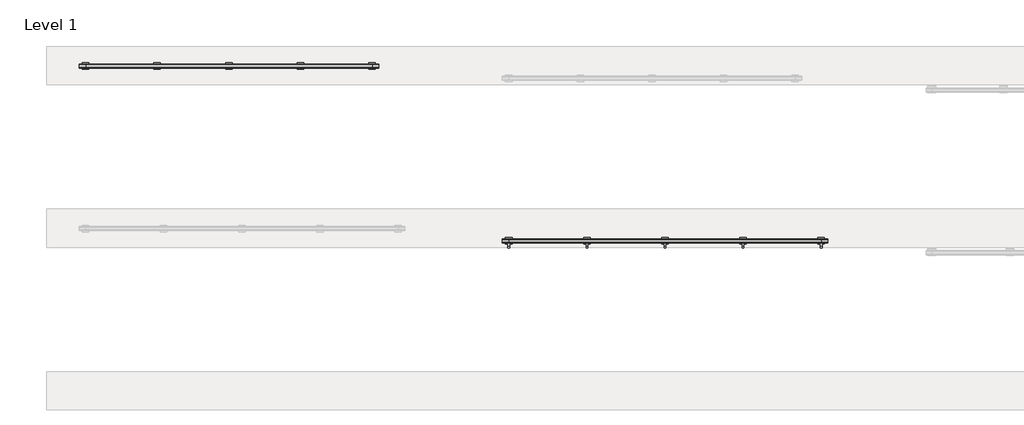
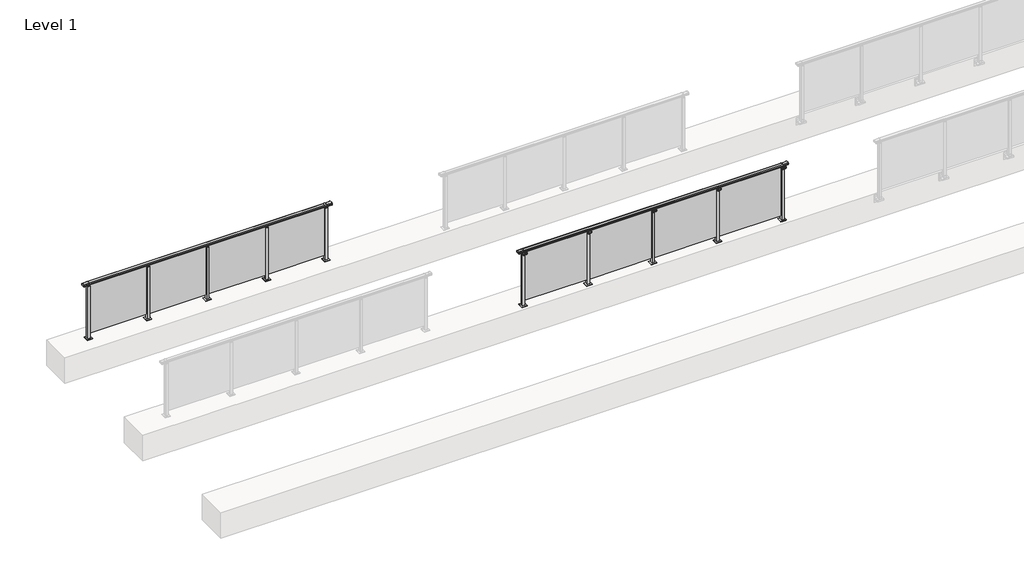
# One storey, part 54 of 64: 2 railings.
"""IFC4 building model written with IfcOpenShell, lengths in millimetres."""

from ifc_helpers import new_model, si_unit, point, frame, frame_2d, origin, origin_with_axes, place, context, project, spatial, polyline, circle_curve, trimmed, segment, composite_curve, outline, extrude, element, save
from ifc_brep_helpers import plane_surface, cylinder_surface, revolved_surface, advanced_brep

model = new_model("IFC4")

# Units and contexts
model_context = context("Model", 3, world=origin())
ifc_project = project(units=[si_unit("LENGTHUNIT", "METRE", prefix="MILLI")], contexts=[model_context])

# Site, building, storey
site = spatial("IfcSite", under=ifc_project)
building = spatial("IfcBuilding", under=site)
storey = spatial("IfcBuildingStorey", under=building, Name="Level 1", Elevation=0.0)

# Railings
placement = place(None, origin())
element("IfcRailing", 1, at=placement, inside=storey, context=model_context, shape_type="SolidModel", body=[
    advanced_brep(
    [(36400.0, 32525.3633756, 1095.6691182), (36400.0, 32530.1846828, 1081.1334092), (36400.0, 32529.2413744, 1069.2539035), (36400.0, 32531.1364177, 1061.4863007), (36400.0, 32529.4894799, 1060.384124), (36400.0, 32529.4894799, 1062.0), (36400.0, 32470.8798858, 1062.0), (36400.0, 32470.8798858, 1060.384124), (36400.0, 32469.232948, 1061.4863007), (36400.0, 32471.1279912, 1069.2539035), (36400.0, 32470.1846828, 1081.1334092), (36400.0, 32475.00599, 1095.6691182), (41400.0, 32525.3633756, 1095.6691182), (41400.0, 32475.00599, 1095.6691182), (41400.0, 32470.1846828, 1081.1334092), (41400.0, 32471.1279912, 1069.2539035), (41400.0, 32469.232948, 1061.4863007), (41400.0, 32470.8798858, 1060.384124), (41400.0, 32470.8798858, 1062.0), (41400.0, 32529.4894799, 1062.0), (41400.0, 32529.4894799, 1060.384124), (41400.0, 32531.1364177, 1061.4863007), (41400.0, 32529.2413744, 1069.2539035), (41400.0, 32530.1846828, 1081.1334092), (36500.0, 32525.3633756, 1095.6691182), (36500.0, 32530.1846828, 1081.1334092), (36500.0, 32529.2413744, 1069.2539035), (36500.0, 32531.1364177, 1061.4863007), (36500.0, 32529.4894799, 1060.384124), (36500.0, 32529.4894799, 1062.0), (36500.0, 32470.8798858, 1062.0), (36500.0, 32470.8798858, 1060.384124), (36500.0, 32469.232948, 1061.4863007), (36500.0, 32471.1279912, 1069.2539035), (36500.0, 32470.1846828, 1081.1334092), (36500.0, 32475.00599, 1095.6691182), (41300.0, 32525.3633756, 1095.6691182), (41300.0, 32530.1846828, 1081.1334092), (41300.0, 32529.2413744, 1069.2539035), (41300.0, 32531.1364177, 1061.4863007), (41300.0, 32529.4894799, 1060.384124), (41300.0, 32529.4894799, 1062.0), (41300.0, 32470.8798858, 1062.0), (41300.0, 32470.8798858, 1060.384124), (41300.0, 32469.232948, 1061.4863007), (41300.0, 32471.1279912, 1069.2539035), (41300.0, 32470.1846828, 1081.1334092), (41300.0, 32475.00599, 1095.6691182)],
    [
        (0, 1, circle_curve(frame((36400.0, 32522.1223845, 1086.526686), z_axis=(-1.0, 0.0, 0.0), x_axis=(0.0, -1.0, 0.0)), 9.6999015)),
        (1, 2, circle_curve(frame((36400.0, 32547.7252545, 1073.7633709), z_axis=(1.0, 0.0, 0.0), x_axis=(0.0, -1.0, 0.0)), 19.0260117)),
        (2, 3),
        (3, 4, circle_curve(frame((36400.0, 32530.2772073, 1060.9886194), z_axis=(-1.0, 0.0, 0.0), x_axis=(0.0, -1.0, 0.0)), 0.9929396)),
        (4, 5),
        (5, 6),
        (6, 7),
        (7, 8, circle_curve(frame((36400.0, 32470.0921584, 1060.9886194), z_axis=(-1.0, 0.0, 0.0), x_axis=(0.0, 1.0, 0.0)), 0.9929396)),
        (8, 9),
        (9, 10, circle_curve(frame((36400.0, 32452.6441111, 1073.7633709), z_axis=(1.0, 0.0, 0.0), x_axis=(0.0, 1.0, 0.0)), 19.0260117)),
        (10, 11, circle_curve(frame((36400.0, 32478.2469812, 1086.526686), z_axis=(-1.0, 0.0, 0.0), x_axis=(0.0, 1.0, 0.0)), 9.6999015)),
        (11, 0, circle_curve(frame((36400.0, 32500.1846828, 1024.6431628), z_axis=(-1.0, 0.0, 0.0), x_axis=(0.0, 1.0, 0.0)), 75.3568372)),
        (12, 13, circle_curve(frame((41400.0, 32500.1846828, 1024.6431628), z_axis=(1.0, 0.0, 0.0), x_axis=(0.0, 1.0, 0.0)), 75.3568372)),
        (13, 14, circle_curve(frame((41400.0, 32478.2469812, 1086.526686), z_axis=(1.0, 0.0, 0.0), x_axis=(0.0, 1.0, 0.0)), 9.6999015)),
        (14, 15, circle_curve(frame((41400.0, 32452.6441111, 1073.7633709), z_axis=(-1.0, 0.0, 0.0), x_axis=(0.0, 1.0, 0.0)), 19.0260117)),
        (15, 16),
        (16, 17, circle_curve(frame((41400.0, 32470.0921584, 1060.9886194), z_axis=(1.0, 0.0, 0.0), x_axis=(0.0, 1.0, 0.0)), 0.9929396)),
        (17, 18),
        (18, 19),
        (19, 20),
        (20, 21, circle_curve(frame((41400.0, 32530.2772073, 1060.9886194), z_axis=(1.0, 0.0, 0.0), x_axis=(0.0, -1.0, 0.0)), 0.9929396)),
        (21, 22),
        (22, 23, circle_curve(frame((41400.0, 32547.7252545, 1073.7633709), z_axis=(-1.0, 0.0, 0.0), x_axis=(0.0, -1.0, 0.0)), 19.0260117)),
        (23, 12, circle_curve(frame((41400.0, 32522.1223845, 1086.526686), z_axis=(1.0, 0.0, 0.0), x_axis=(0.0, -1.0, 0.0)), 9.6999015)),
        (0, 24),
        (24, 25, circle_curve(frame((36500.0, 32522.1223845, 1086.526686), z_axis=(-1.0, 0.0, 0.0), x_axis=(0.0, -1.0, 0.0)), 9.6999015)),
        (25, 1),
        (25, 26, circle_curve(frame((36500.0, 32547.7252545, 1073.7633709), z_axis=(1.0, 0.0, 0.0), x_axis=(0.0, -1.0, 0.0)), 19.0260117)),
        (26, 2),
        (26, 27),
        (27, 3),
        (27, 28, circle_curve(frame((36500.0, 32530.2772073, 1060.9886194), z_axis=(-1.0, 0.0, 0.0), x_axis=(0.0, -1.0, 0.0)), 0.9929396)),
        (28, 4),
        (28, 29),
        (29, 5),
        (29, 30),
        (30, 6),
        (30, 31),
        (31, 7),
        (31, 32, circle_curve(frame((36500.0, 32470.0921584, 1060.9886194), z_axis=(-1.0, 0.0, 0.0), x_axis=(0.0, 1.0, 0.0)), 0.9929396)),
        (32, 8),
        (32, 33),
        (33, 9),
        (33, 34, circle_curve(frame((36500.0, 32452.6441111, 1073.7633709), z_axis=(1.0, 0.0, 0.0), x_axis=(0.0, 1.0, 0.0)), 19.0260117)),
        (34, 10),
        (34, 35, circle_curve(frame((36500.0, 32478.2469812, 1086.526686), z_axis=(-1.0, 0.0, 0.0), x_axis=(0.0, 1.0, 0.0)), 9.6999015)),
        (35, 11),
        (35, 24, circle_curve(frame((36500.0, 32500.1846828, 1024.6431628), z_axis=(-1.0, 0.0, 0.0), x_axis=(0.0, 1.0, 0.0)), 75.3568372)),
        (24, 36),
        (36, 37, circle_curve(frame((41300.0, 32522.1223845, 1086.526686), z_axis=(-1.0, 0.0, 0.0), x_axis=(0.0, -1.0, 0.0)), 9.6999015)),
        (37, 25),
        (37, 38, circle_curve(frame((41300.0, 32547.7252545, 1073.7633709), z_axis=(1.0, 0.0, 0.0), x_axis=(0.0, -1.0, 0.0)), 19.0260117)),
        (38, 26),
        (38, 39),
        (39, 27),
        (39, 40, circle_curve(frame((41300.0, 32530.2772073, 1060.9886194), z_axis=(-1.0, 0.0, 0.0), x_axis=(0.0, -1.0, 0.0)), 0.9929396)),
        (40, 28),
        (40, 41),
        (41, 29),
        (41, 42),
        (42, 30),
        (42, 43),
        (43, 31),
        (43, 44, circle_curve(frame((41300.0, 32470.0921584, 1060.9886194), z_axis=(-1.0, 0.0, 0.0), x_axis=(0.0, 1.0, 0.0)), 0.9929396)),
        (44, 32),
        (44, 45),
        (45, 33),
        (45, 46, circle_curve(frame((41300.0, 32452.6441111, 1073.7633709), z_axis=(1.0, 0.0, 0.0), x_axis=(0.0, 1.0, 0.0)), 19.0260117)),
        (46, 34),
        (46, 47, circle_curve(frame((41300.0, 32478.2469812, 1086.526686), z_axis=(-1.0, 0.0, 0.0), x_axis=(0.0, 1.0, 0.0)), 9.6999015)),
        (47, 35),
        (47, 36, circle_curve(frame((41300.0, 32500.1846828, 1024.6431628), z_axis=(-1.0, 0.0, 0.0), x_axis=(0.0, 1.0, 0.0)), 75.3568372)),
        (36, 12),
        (23, 37),
        (22, 38),
        (21, 39),
        (20, 40),
        (19, 41),
        (18, 42),
        (17, 43),
        (16, 44),
        (15, 45),
        (14, 46),
        (13, 47),
    ],
    [
        plane_surface(frame((36400.0, 32500.1846828, 1100.0), z_axis=(-1.0, 0.0, 0.0), x_axis=(0.0, 1.0, 0.0))),
        plane_surface(frame((41400.0, 32500.1846828, 1100.0), z_axis=(1.0, 0.0, 0.0), x_axis=(0.0, 1.0, 0.0))),
        cylinder_surface(frame((36400.0, 32522.1223845, 1086.526686), z_axis=(-1.0, 0.0, 0.0), x_axis=(0.0, -1.0, 0.0)), 9.6999015),
        revolved_surface(polyline([(36500.0, 32528.6992428, 1073.7633709), (36400.0, 32528.6992428, 1073.7633709)]), (36400.0, 32547.7252545, 1073.7633709), (1.0, 0.0, 0.0)),
        plane_surface(frame((36400.0, 32529.2413744, 1069.2539035), z_axis=(0.0, 0.9715057689301543, 0.2370159086125439), x_axis=(1.0, 0.0, 0.0))),
        cylinder_surface(frame((36400.0, 32530.2772073, 1060.9886194), z_axis=(-1.0, 0.0, 0.0), x_axis=(0.0, -1.0, 0.0)), 0.9929396),
        plane_surface(frame((36400.0, 32529.4894799, 1060.384124), z_axis=(0.0, -1.0, 0.0), x_axis=(1.0, 0.0, 0.0))),
        plane_surface(frame((36400.0, 32529.4894799, 1062.0), z_axis=(0.0, 0.0, -1.0), x_axis=(1.0, 0.0, 0.0))),
        plane_surface(frame((36400.0, 32470.8798858, 1062.0), z_axis=(0.0, 1.0, 0.0), x_axis=(1.0, 0.0, 0.0))),
        cylinder_surface(frame((36400.0, 32470.0921584, 1060.9886194), z_axis=(-1.0, 0.0, 0.0), x_axis=(0.0, 1.0, 0.0)), 0.9929396),
        plane_surface(frame((36400.0, 32469.232948, 1061.4863007), z_axis=(0.0, -0.9715057689301543, 0.2370159086125439), x_axis=(1.0, 0.0, 0.0))),
        revolved_surface(polyline([(36500.0, 32471.6701228, 1073.7633709), (36400.0, 32471.6701228, 1073.7633709)]), (36400.0, 32452.6441111, 1073.7633709), (1.0, 0.0, 0.0)),
        cylinder_surface(frame((36400.0, 32478.2469812, 1086.526686), z_axis=(-1.0, 0.0, 0.0), x_axis=(0.0, 1.0, 0.0)), 9.6999015),
        cylinder_surface(frame((36400.0, 32500.1846828, 1024.6431628), z_axis=(-1.0, 0.0, 0.0), x_axis=(0.0, 1.0, 0.0)), 75.3568372),
        cylinder_surface(frame((36500.0, 32522.1223845, 1086.526686), z_axis=(-1.0, 0.0, 0.0), x_axis=(0.0, -1.0, 0.0)), 9.6999015),
        revolved_surface(polyline([(41300.0, 32528.6992428, 1073.7633709), (36500.0, 32528.6992428, 1073.7633709)]), (36500.0, 32547.7252545, 1073.7633709), (1.0, 0.0, 0.0)),
        plane_surface(frame((36500.0, 32529.2413744, 1069.2539035), z_axis=(0.0, 0.9715057689301543, 0.2370159086125439), x_axis=(1.0, 0.0, 0.0))),
        cylinder_surface(frame((36500.0, 32530.2772073, 1060.9886194), z_axis=(-1.0, 0.0, 0.0), x_axis=(0.0, -1.0, 0.0)), 0.9929396),
        plane_surface(frame((36500.0, 32529.4894799, 1060.384124), z_axis=(0.0, -1.0, 0.0), x_axis=(1.0, 0.0, 0.0))),
        plane_surface(frame((36500.0, 32529.4894799, 1062.0), z_axis=(0.0, 0.0, -1.0), x_axis=(1.0, 0.0, 0.0))),
        plane_surface(frame((36500.0, 32470.8798858, 1062.0), z_axis=(0.0, 1.0, 0.0), x_axis=(1.0, 0.0, 0.0))),
        cylinder_surface(frame((36500.0, 32470.0921584, 1060.9886194), z_axis=(-1.0, 0.0, 0.0), x_axis=(0.0, 1.0, 0.0)), 0.9929396),
        plane_surface(frame((36500.0, 32469.232948, 1061.4863007), z_axis=(0.0, -0.9715057689301543, 0.2370159086125439), x_axis=(1.0, 0.0, 0.0))),
        revolved_surface(polyline([(41300.0, 32471.6701228, 1073.7633709), (36500.0, 32471.6701228, 1073.7633709)]), (36500.0, 32452.6441111, 1073.7633709), (1.0, 0.0, 0.0)),
        cylinder_surface(frame((36500.0, 32478.2469812, 1086.526686), z_axis=(-1.0, 0.0, 0.0), x_axis=(0.0, 1.0, 0.0)), 9.6999015),
        cylinder_surface(frame((36500.0, 32500.1846828, 1024.6431628), z_axis=(-1.0, 0.0, 0.0), x_axis=(0.0, 1.0, 0.0)), 75.3568372),
        cylinder_surface(frame((41300.0, 32522.1223845, 1086.526686), z_axis=(-1.0, 0.0, 0.0), x_axis=(0.0, -1.0, 0.0)), 9.6999015),
        revolved_surface(polyline([(41400.0, 32528.6992428, 1073.7633709), (41300.0, 32528.6992428, 1073.7633709)]), (41300.0, 32547.7252545, 1073.7633709), (1.0, 0.0, 0.0)),
        plane_surface(frame((41300.0, 32529.2413744, 1069.2539035), z_axis=(0.0, 0.9715057689301543, 0.2370159086125439), x_axis=(1.0, 0.0, 0.0))),
        cylinder_surface(frame((41300.0, 32530.2772073, 1060.9886194), z_axis=(-1.0, 0.0, 0.0), x_axis=(0.0, -1.0, 0.0)), 0.9929396),
        plane_surface(frame((41300.0, 32529.4894799, 1060.384124), z_axis=(0.0, -1.0, 0.0), x_axis=(1.0, 0.0, 0.0))),
        plane_surface(frame((41300.0, 32529.4894799, 1062.0), z_axis=(0.0, 0.0, -1.0), x_axis=(1.0, 0.0, 0.0))),
        plane_surface(frame((41300.0, 32470.8798858, 1062.0), z_axis=(0.0, 1.0, 0.0), x_axis=(1.0, 0.0, 0.0))),
        cylinder_surface(frame((41300.0, 32470.0921584, 1060.9886194), z_axis=(-1.0, 0.0, 0.0), x_axis=(0.0, 1.0, 0.0)), 0.9929396),
        plane_surface(frame((41300.0, 32469.232948, 1061.4863007), z_axis=(0.0, -0.9715057689301543, 0.2370159086125439), x_axis=(1.0, 0.0, 0.0))),
        revolved_surface(polyline([(41400.0, 32471.6701228, 1073.7633709), (41300.0, 32471.6701228, 1073.7633709)]), (41300.0, 32452.6441111, 1073.7633709), (1.0, 0.0, 0.0)),
        cylinder_surface(frame((41300.0, 32478.2469812, 1086.526686), z_axis=(-1.0, 0.0, 0.0), x_axis=(0.0, 1.0, 0.0)), 9.6999015),
        cylinder_surface(frame((41300.0, 32500.1846828, 1024.6431628), z_axis=(-1.0, 0.0, 0.0), x_axis=(0.0, 1.0, 0.0)), 75.3568372),
    ],
    [
        (0, [[1, 2, 3, 4, 5, 6, 7, 8, 9, 10, 11, 12]]),
        (1, [[13, 14, 15, 16, 17, 18, 19, 20, 21, 22, 23, 24]]),
        (2, [[-1, 25, 26, 27]]),
        (3, [[-2, -27, 28, 29]]),
        (4, [[-3, -29, 30, 31]]),
        (5, [[-4, -31, 32, 33]]),
        (6, [[-5, -33, 34, 35]]),
        (7, [[-6, -35, 36, 37]]),
        (8, [[-7, -37, 38, 39]]),
        (9, [[-8, -39, 40, 41]]),
        (10, [[-9, -41, 42, 43]]),
        (11, [[-10, -43, 44, 45]]),
        (12, [[-11, -45, 46, 47]]),
        (13, [[-12, -47, 48, -25]]),
        (14, [[-26, 49, 50, 51]]),
        (15, [[-28, -51, 52, 53]]),
        (16, [[-30, -53, 54, 55]]),
        (17, [[-32, -55, 56, 57]]),
        (18, [[-34, -57, 58, 59]]),
        (19, [[-36, -59, 60, 61]]),
        (20, [[-38, -61, 62, 63]]),
        (21, [[-40, -63, 64, 65]]),
        (22, [[-42, -65, 66, 67]]),
        (23, [[-44, -67, 68, 69]]),
        (24, [[-46, -69, 70, 71]]),
        (25, [[-48, -71, 72, -49]]),
        (26, [[-50, 73, -24, 74]]),
        (27, [[-52, -74, -23, 75]]),
        (28, [[-54, -75, -22, 76]]),
        (29, [[-56, -76, -21, 77]]),
        (30, [[-58, -77, -20, 78]]),
        (31, [[-60, -78, -19, 79]]),
        (32, [[-62, -79, -18, 80]]),
        (33, [[-64, -80, -17, 81]]),
        (34, [[-66, -81, -16, 82]]),
        (35, [[-68, -82, -15, 83]]),
        (36, [[-70, -83, -14, 84]]),
        (37, [[-72, -84, -13, -73]]),
    ],
),
    extrude(outline(polyline([(40110.0, 32500.9598727), (41290.0, 32500.9598727), (41290.0, 32490.9598727), (40110.0, 32490.9598727), (40110.0, 32500.9598727)])), frame((0.0, 0.0, 95.0), z_axis=(0.0, 0.0, 1.0), x_axis=(1.0, 0.0, 0.0)), (0.0, 0.0, 1.0), 960.0),
    extrude(outline(composite_curve([segment(polyline([(32389.6846828, 1100.0), (32413.6846828, 1100.0), (32413.6846828, 1072.1487483), (32477.6846828, 1055.0), (32477.6846828, 1005.0), (32469.0523072, 1005.0)]), True, "CONTINUOUS"), segment(trimmed(circle_curve(frame_2d((32469.0523072, 1008.0)), 3.0), [point((32469.0523072, 1005.0))], [point((32466.0779726, 1007.6084214))], False, "CARTESIAN"), True, "CONTINUOUS"), segment(polyline([(32466.0779726, 1007.6084214), (32461.4711505, 1042.6007097)]), True, "CONTINUOUS"), segment(trimmed(circle_curve(frame_2d((32451.5567019, 1041.2954478)), 10.0), [point((32461.4711505, 1042.6007097))], [point((32454.1448923, 1050.9547061))], True, "CARTESIAN"), True, "CONTINUOUS"), segment(polyline([(32454.1448923, 1050.9547061), (32397.0964924, 1066.2407787)]), True, "CONTINUOUS"), segment(trimmed(circle_curve(frame_2d((32399.6846828, 1075.900037)), 10.0), [point((32397.0964924, 1066.2407787))], [point((32389.6846828, 1075.900037))], False, "CARTESIAN"), True, "CONTINUOUS"), segment(polyline([(32389.6846828, 1075.900037), (32389.6846828, 1100.0)]), True, "CONTINUOUS")], self_intersect=False)), frame((40087.5, 0.0, 0.0), z_axis=(1.0, 0.0, 0.0), x_axis=(0.0, 1.0, 0.0)), (0.0, 0.0, 1.0), 25.0),
    extrude(outline(polyline([(40122.5, 32477.6846828), (40077.5, 32477.6846828), (40077.5, 32522.6846828), (40122.5, 32522.6846828), (40122.5, 32477.6846828)])), frame((0.0, 0.0, 1055.0), z_axis=(0.0, 0.0, 1.0), x_axis=(1.0, 0.0, 0.0)), (0.0, 0.0, 1.0), 5.0),
    extrude(outline(polyline([(40150.0, 32450.1846828), (40050.0, 32450.1846828), (40050.0, 32550.1846828), (40150.0, 32550.1846828), (40150.0, 32450.1846828)])), origin_with_axes(), (0.0, 0.0, 1.0), 12.0),
    extrude(outline(polyline([(40122.5, 32477.6846828), (40077.5, 32477.6846828), (40077.5, 32522.6846828), (40122.5, 32522.6846828), (40122.5, 32477.6846828)])), frame((0.0, 0.0, 12.0), z_axis=(0.0, 0.0, 1.0), x_axis=(1.0, 0.0, 0.0)), (0.0, 0.0, 1.0), 1043.0),
    extrude(outline(polyline([(38910.0, 32500.9598727), (40090.0, 32500.9598727), (40090.0, 32490.9598727), (38910.0, 32490.9598727), (38910.0, 32500.9598727)])), frame((0.0, 0.0, 95.0), z_axis=(0.0, 0.0, 1.0), x_axis=(1.0, 0.0, 0.0)), (0.0, 0.0, 1.0), 960.0),
    extrude(outline(composite_curve([segment(polyline([(32389.6846828, 1100.0), (32413.6846828, 1100.0), (32413.6846828, 1072.1487483), (32477.6846828, 1055.0), (32477.6846828, 1005.0), (32469.0523072, 1005.0)]), True, "CONTINUOUS"), segment(trimmed(circle_curve(frame_2d((32469.0523072, 1008.0)), 3.0), [point((32469.0523072, 1005.0))], [point((32466.0779726, 1007.6084214))], False, "CARTESIAN"), True, "CONTINUOUS"), segment(polyline([(32466.0779726, 1007.6084214), (32461.4711505, 1042.6007097)]), True, "CONTINUOUS"), segment(trimmed(circle_curve(frame_2d((32451.5567019, 1041.2954478)), 10.0), [point((32461.4711505, 1042.6007097))], [point((32454.1448923, 1050.9547061))], True, "CARTESIAN"), True, "CONTINUOUS"), segment(polyline([(32454.1448923, 1050.9547061), (32397.0964924, 1066.2407787)]), True, "CONTINUOUS"), segment(trimmed(circle_curve(frame_2d((32399.6846828, 1075.900037)), 10.0), [point((32397.0964924, 1066.2407787))], [point((32389.6846828, 1075.900037))], False, "CARTESIAN"), True, "CONTINUOUS"), segment(polyline([(32389.6846828, 1075.900037), (32389.6846828, 1100.0)]), True, "CONTINUOUS")], self_intersect=False)), frame((38887.5, 0.0, 0.0), z_axis=(1.0, 0.0, 0.0), x_axis=(0.0, 1.0, 0.0)), (0.0, 0.0, 1.0), 25.0),
    extrude(outline(polyline([(38922.5, 32477.6846828), (38877.5, 32477.6846828), (38877.5, 32522.6846828), (38922.5, 32522.6846828), (38922.5, 32477.6846828)])), frame((0.0, 0.0, 1055.0), z_axis=(0.0, 0.0, 1.0), x_axis=(1.0, 0.0, 0.0)), (0.0, 0.0, 1.0), 5.0),
    extrude(outline(polyline([(38950.0, 32450.1846828), (38850.0, 32450.1846828), (38850.0, 32550.1846828), (38950.0, 32550.1846828), (38950.0, 32450.1846828)])), origin_with_axes(), (0.0, 0.0, 1.0), 12.0),
    extrude(outline(polyline([(38922.5, 32477.6846828), (38877.5, 32477.6846828), (38877.5, 32522.6846828), (38922.5, 32522.6846828), (38922.5, 32477.6846828)])), frame((0.0, 0.0, 12.0), z_axis=(0.0, 0.0, 1.0), x_axis=(1.0, 0.0, 0.0)), (0.0, 0.0, 1.0), 1043.0),
    extrude(outline(polyline([(37710.0, 32500.9598727), (38890.0, 32500.9598727), (38890.0, 32490.9598727), (37710.0, 32490.9598727), (37710.0, 32500.9598727)])), frame((0.0, 0.0, 95.0), z_axis=(0.0, 0.0, 1.0), x_axis=(1.0, 0.0, 0.0)), (0.0, 0.0, 1.0), 960.0),
    extrude(outline(composite_curve([segment(polyline([(32389.6846828, 1100.0), (32413.6846828, 1100.0), (32413.6846828, 1072.1487483), (32477.6846828, 1055.0), (32477.6846828, 1005.0), (32469.0523072, 1005.0)]), True, "CONTINUOUS"), segment(trimmed(circle_curve(frame_2d((32469.0523072, 1008.0)), 3.0), [point((32469.0523072, 1005.0))], [point((32466.0779726, 1007.6084214))], False, "CARTESIAN"), True, "CONTINUOUS"), segment(polyline([(32466.0779726, 1007.6084214), (32461.4711505, 1042.6007097)]), True, "CONTINUOUS"), segment(trimmed(circle_curve(frame_2d((32451.5567019, 1041.2954478)), 10.0), [point((32461.4711505, 1042.6007097))], [point((32454.1448923, 1050.9547061))], True, "CARTESIAN"), True, "CONTINUOUS"), segment(polyline([(32454.1448923, 1050.9547061), (32397.0964924, 1066.2407787)]), True, "CONTINUOUS"), segment(trimmed(circle_curve(frame_2d((32399.6846828, 1075.900037)), 10.0), [point((32397.0964924, 1066.2407787))], [point((32389.6846828, 1075.900037))], False, "CARTESIAN"), True, "CONTINUOUS"), segment(polyline([(32389.6846828, 1075.900037), (32389.6846828, 1100.0)]), True, "CONTINUOUS")], self_intersect=False)), frame((37687.5, 0.0, 0.0), z_axis=(1.0, 0.0, 0.0), x_axis=(0.0, 1.0, 0.0)), (0.0, 0.0, 1.0), 25.0),
    extrude(outline(polyline([(37722.5, 32477.6846828), (37677.5, 32477.6846828), (37677.5, 32522.6846828), (37722.5, 32522.6846828), (37722.5, 32477.6846828)])), frame((0.0, 0.0, 1055.0), z_axis=(0.0, 0.0, 1.0), x_axis=(1.0, 0.0, 0.0)), (0.0, 0.0, 1.0), 5.0),
    extrude(outline(polyline([(37750.0, 32450.1846828), (37650.0, 32450.1846828), (37650.0, 32550.1846828), (37750.0, 32550.1846828), (37750.0, 32450.1846828)])), origin_with_axes(), (0.0, 0.0, 1.0), 12.0),
    extrude(outline(polyline([(37722.5, 32477.6846828), (37677.5, 32477.6846828), (37677.5, 32522.6846828), (37722.5, 32522.6846828), (37722.5, 32477.6846828)])), frame((0.0, 0.0, 12.0), z_axis=(0.0, 0.0, 1.0), x_axis=(1.0, 0.0, 0.0)), (0.0, 0.0, 1.0), 1043.0),
    extrude(outline(polyline([(36510.0, 32500.9598727), (37690.0, 32500.9598727), (37690.0, 32490.9598727), (36510.0, 32490.9598727), (36510.0, 32500.9598727)])), frame((0.0, 0.0, 95.0), z_axis=(0.0, 0.0, 1.0), x_axis=(1.0, 0.0, 0.0)), (0.0, 0.0, 1.0), 960.0),
    extrude(outline(composite_curve([segment(polyline([(32389.6846828, 1100.0), (32413.6846828, 1100.0), (32413.6846828, 1072.1487483), (32477.6846828, 1055.0), (32477.6846828, 1005.0), (32469.0523072, 1005.0)]), True, "CONTINUOUS"), segment(trimmed(circle_curve(frame_2d((32469.0523072, 1008.0)), 3.0), [point((32469.0523072, 1005.0))], [point((32466.0779726, 1007.6084214))], False, "CARTESIAN"), True, "CONTINUOUS"), segment(polyline([(32466.0779726, 1007.6084214), (32461.4711505, 1042.6007097)]), True, "CONTINUOUS"), segment(trimmed(circle_curve(frame_2d((32451.5567019, 1041.2954478)), 10.0), [point((32461.4711505, 1042.6007097))], [point((32454.1448923, 1050.9547061))], True, "CARTESIAN"), True, "CONTINUOUS"), segment(polyline([(32454.1448923, 1050.9547061), (32397.0964924, 1066.2407787)]), True, "CONTINUOUS"), segment(trimmed(circle_curve(frame_2d((32399.6846828, 1075.900037)), 10.0), [point((32397.0964924, 1066.2407787))], [point((32389.6846828, 1075.900037))], False, "CARTESIAN"), True, "CONTINUOUS"), segment(polyline([(32389.6846828, 1075.900037), (32389.6846828, 1100.0)]), True, "CONTINUOUS")], self_intersect=False)), frame((41287.5, 0.0, 0.0), z_axis=(1.0, 0.0, 0.0), x_axis=(0.0, 1.0, 0.0)), (0.0, 0.0, 1.0), 25.0),
    extrude(outline(polyline([(41322.5, 32477.6846828), (41277.5, 32477.6846828), (41277.5, 32522.6846828), (41322.5, 32522.6846828), (41322.5, 32477.6846828)])), frame((0.0, 0.0, 1055.0), z_axis=(0.0, 0.0, 1.0), x_axis=(1.0, 0.0, 0.0)), (0.0, 0.0, 1.0), 5.0),
    extrude(outline(polyline([(41350.0, 32450.1846828), (41250.0, 32450.1846828), (41250.0, 32550.1846828), (41350.0, 32550.1846828), (41350.0, 32450.1846828)])), origin_with_axes(), (0.0, 0.0, 1.0), 12.0),
    extrude(outline(polyline([(41322.5, 32477.6846828), (41277.5, 32477.6846828), (41277.5, 32522.6846828), (41322.5, 32522.6846828), (41322.5, 32477.6846828)])), frame((0.0, 0.0, 12.0), z_axis=(0.0, 0.0, 1.0), x_axis=(1.0, 0.0, 0.0)), (0.0, 0.0, 1.0), 1043.0),
    extrude(outline(composite_curve([segment(polyline([(32389.6846828, 1100.0), (32413.6846828, 1100.0), (32413.6846828, 1072.1487483), (32477.6846828, 1055.0), (32477.6846828, 1005.0), (32469.0523072, 1005.0)]), True, "CONTINUOUS"), segment(trimmed(circle_curve(frame_2d((32469.0523072, 1008.0)), 3.0), [point((32469.0523072, 1005.0))], [point((32466.0779726, 1007.6084214))], False, "CARTESIAN"), True, "CONTINUOUS"), segment(polyline([(32466.0779726, 1007.6084214), (32461.4711505, 1042.6007097)]), True, "CONTINUOUS"), segment(trimmed(circle_curve(frame_2d((32451.5567019, 1041.2954478)), 10.0), [point((32461.4711505, 1042.6007097))], [point((32454.1448923, 1050.9547061))], True, "CARTESIAN"), True, "CONTINUOUS"), segment(polyline([(32454.1448923, 1050.9547061), (32397.0964924, 1066.2407787)]), True, "CONTINUOUS"), segment(trimmed(circle_curve(frame_2d((32399.6846828, 1075.900037)), 10.0), [point((32397.0964924, 1066.2407787))], [point((32389.6846828, 1075.900037))], False, "CARTESIAN"), True, "CONTINUOUS"), segment(polyline([(32389.6846828, 1075.900037), (32389.6846828, 1100.0)]), True, "CONTINUOUS")], self_intersect=False)), frame((36487.5, 0.0, 0.0), z_axis=(1.0, 0.0, 0.0), x_axis=(0.0, 1.0, 0.0)), (0.0, 0.0, 1.0), 25.0),
    extrude(outline(polyline([(36522.5, 32477.6846828), (36477.5, 32477.6846828), (36477.5, 32522.6846828), (36522.5, 32522.6846828), (36522.5, 32477.6846828)])), frame((0.0, 0.0, 1055.0), z_axis=(0.0, 0.0, 1.0), x_axis=(1.0, 0.0, 0.0)), (0.0, 0.0, 1.0), 5.0),
    extrude(outline(polyline([(36550.0, 32450.1846828), (36450.0, 32450.1846828), (36450.0, 32550.1846828), (36550.0, 32550.1846828), (36550.0, 32450.1846828)])), origin_with_axes(), (0.0, 0.0, 1.0), 12.0),
    extrude(outline(polyline([(36522.5, 32477.6846828), (36477.5, 32477.6846828), (36477.5, 32522.6846828), (36522.5, 32522.6846828), (36522.5, 32477.6846828)])), frame((0.0, 0.0, 12.0), z_axis=(0.0, 0.0, 1.0), x_axis=(1.0, 0.0, 0.0)), (0.0, 0.0, 1.0), 1043.0),
])
element("IfcRailing", 2, at=placement, inside=storey, context=model_context, shape_type="SolidModel", body=[
    advanced_brep(
    [(29900.0, 35215.3633756, 1095.6691182), (29900.0, 35220.1846828, 1081.1334092), (29900.0, 35219.2413744, 1069.2539035), (29900.0, 35221.1364177, 1061.4863007), (29900.0, 35219.4894799, 1060.384124), (29900.0, 35219.4894799, 1062.0), (29900.0, 35160.8798858, 1062.0), (29900.0, 35160.8798858, 1060.384124), (29900.0, 35159.232948, 1061.4863007), (29900.0, 35161.1279912, 1069.2539035), (29900.0, 35160.1846828, 1081.1334092), (29900.0, 35165.00599, 1095.6691182), (34500.0, 35215.3633756, 1095.6691182), (34500.0, 35165.00599, 1095.6691182), (34500.0, 35160.1846828, 1081.1334092), (34500.0, 35161.1279912, 1069.2539035), (34500.0, 35159.232948, 1061.4863007), (34500.0, 35160.8798858, 1060.384124), (34500.0, 35160.8798858, 1062.0), (34500.0, 35219.4894799, 1062.0), (34500.0, 35219.4894799, 1060.384124), (34500.0, 35221.1364177, 1061.4863007), (34500.0, 35219.2413744, 1069.2539035), (34500.0, 35220.1846828, 1081.1334092), (30000.0, 35215.3633756, 1095.6691182), (30000.0, 35220.1846828, 1081.1334092), (30000.0, 35219.2413744, 1069.2539035), (30000.0, 35221.1364177, 1061.4863007), (30000.0, 35219.4894799, 1060.384124), (30000.0, 35219.4894799, 1062.0), (30000.0, 35160.8798858, 1062.0), (30000.0, 35160.8798858, 1060.384124), (30000.0, 35159.232948, 1061.4863007), (30000.0, 35161.1279912, 1069.2539035), (30000.0, 35160.1846828, 1081.1334092), (30000.0, 35165.00599, 1095.6691182), (34400.0, 35215.3633756, 1095.6691182), (34400.0, 35220.1846828, 1081.1334092), (34400.0, 35219.2413744, 1069.2539035), (34400.0, 35221.1364177, 1061.4863007), (34400.0, 35219.4894799, 1060.384124), (34400.0, 35219.4894799, 1062.0), (34400.0, 35160.8798858, 1062.0), (34400.0, 35160.8798858, 1060.384124), (34400.0, 35159.232948, 1061.4863007), (34400.0, 35161.1279912, 1069.2539035), (34400.0, 35160.1846828, 1081.1334092), (34400.0, 35165.00599, 1095.6691182)],
    [
        (0, 1, circle_curve(frame((29900.0, 35212.1223845, 1086.526686), z_axis=(-1.0, 0.0, 0.0), x_axis=(0.0, -1.0, 0.0)), 9.6999015)),
        (1, 2, circle_curve(frame((29900.0, 35237.7252545, 1073.7633709), z_axis=(1.0, 0.0, 0.0), x_axis=(0.0, -1.0, 0.0)), 19.0260117)),
        (2, 3),
        (3, 4, circle_curve(frame((29900.0, 35220.2772073, 1060.9886194), z_axis=(-1.0, 0.0, 0.0), x_axis=(0.0, -1.0, 0.0)), 0.9929396)),
        (4, 5),
        (5, 6),
        (6, 7),
        (7, 8, circle_curve(frame((29900.0, 35160.0921584, 1060.9886194), z_axis=(-1.0, 0.0, 0.0), x_axis=(0.0, 1.0, 0.0)), 0.9929396)),
        (8, 9),
        (9, 10, circle_curve(frame((29900.0, 35142.6441111, 1073.7633709), z_axis=(1.0, 0.0, 0.0), x_axis=(0.0, 1.0, 0.0)), 19.0260117)),
        (10, 11, circle_curve(frame((29900.0, 35168.2469812, 1086.526686), z_axis=(-1.0, 0.0, 0.0), x_axis=(0.0, 1.0, 0.0)), 9.6999015)),
        (11, 0, circle_curve(frame((29900.0, 35190.1846828, 1024.6431628), z_axis=(-1.0, 0.0, 0.0), x_axis=(0.0, 1.0, 0.0)), 75.3568372)),
        (12, 13, circle_curve(frame((34500.0, 35190.1846828, 1024.6431628), z_axis=(1.0, 0.0, 0.0), x_axis=(0.0, 1.0, 0.0)), 75.3568372)),
        (13, 14, circle_curve(frame((34500.0, 35168.2469812, 1086.526686), z_axis=(1.0, 0.0, 0.0), x_axis=(0.0, 1.0, 0.0)), 9.6999015)),
        (14, 15, circle_curve(frame((34500.0, 35142.6441111, 1073.7633709), z_axis=(-1.0, 0.0, 0.0), x_axis=(0.0, 1.0, 0.0)), 19.0260117)),
        (15, 16),
        (16, 17, circle_curve(frame((34500.0, 35160.0921584, 1060.9886194), z_axis=(1.0, 0.0, 0.0), x_axis=(0.0, 1.0, 0.0)), 0.9929396)),
        (17, 18),
        (18, 19),
        (19, 20),
        (20, 21, circle_curve(frame((34500.0, 35220.2772073, 1060.9886194), z_axis=(1.0, 0.0, 0.0), x_axis=(0.0, -1.0, 0.0)), 0.9929396)),
        (21, 22),
        (22, 23, circle_curve(frame((34500.0, 35237.7252545, 1073.7633709), z_axis=(-1.0, 0.0, 0.0), x_axis=(0.0, -1.0, 0.0)), 19.0260117)),
        (23, 12, circle_curve(frame((34500.0, 35212.1223845, 1086.526686), z_axis=(1.0, 0.0, 0.0), x_axis=(0.0, -1.0, 0.0)), 9.6999015)),
        (0, 24),
        (24, 25, circle_curve(frame((30000.0, 35212.1223845, 1086.526686), z_axis=(-1.0, 0.0, 0.0), x_axis=(0.0, -1.0, 0.0)), 9.6999015)),
        (25, 1),
        (25, 26, circle_curve(frame((30000.0, 35237.7252545, 1073.7633709), z_axis=(1.0, 0.0, 0.0), x_axis=(0.0, -1.0, 0.0)), 19.0260117)),
        (26, 2),
        (26, 27),
        (27, 3),
        (27, 28, circle_curve(frame((30000.0, 35220.2772073, 1060.9886194), z_axis=(-1.0, 0.0, 0.0), x_axis=(0.0, -1.0, 0.0)), 0.9929396)),
        (28, 4),
        (28, 29),
        (29, 5),
        (29, 30),
        (30, 6),
        (30, 31),
        (31, 7),
        (31, 32, circle_curve(frame((30000.0, 35160.0921584, 1060.9886194), z_axis=(-1.0, 0.0, 0.0), x_axis=(0.0, 1.0, 0.0)), 0.9929396)),
        (32, 8),
        (32, 33),
        (33, 9),
        (33, 34, circle_curve(frame((30000.0, 35142.6441111, 1073.7633709), z_axis=(1.0, 0.0, 0.0), x_axis=(0.0, 1.0, 0.0)), 19.0260117)),
        (34, 10),
        (34, 35, circle_curve(frame((30000.0, 35168.2469812, 1086.526686), z_axis=(-1.0, 0.0, 0.0), x_axis=(0.0, 1.0, 0.0)), 9.6999015)),
        (35, 11),
        (35, 24, circle_curve(frame((30000.0, 35190.1846828, 1024.6431628), z_axis=(-1.0, 0.0, 0.0), x_axis=(0.0, 1.0, 0.0)), 75.3568372)),
        (24, 36),
        (36, 37, circle_curve(frame((34400.0, 35212.1223845, 1086.526686), z_axis=(-1.0, 0.0, 0.0), x_axis=(0.0, -1.0, 0.0)), 9.6999015)),
        (37, 25),
        (37, 38, circle_curve(frame((34400.0, 35237.7252545, 1073.7633709), z_axis=(1.0, 0.0, 0.0), x_axis=(0.0, -1.0, 0.0)), 19.0260117)),
        (38, 26),
        (38, 39),
        (39, 27),
        (39, 40, circle_curve(frame((34400.0, 35220.2772073, 1060.9886194), z_axis=(-1.0, 0.0, 0.0), x_axis=(0.0, -1.0, 0.0)), 0.9929396)),
        (40, 28),
        (40, 41),
        (41, 29),
        (41, 42),
        (42, 30),
        (42, 43),
        (43, 31),
        (43, 44, circle_curve(frame((34400.0, 35160.0921584, 1060.9886194), z_axis=(-1.0, 0.0, 0.0), x_axis=(0.0, 1.0, 0.0)), 0.9929396)),
        (44, 32),
        (44, 45),
        (45, 33),
        (45, 46, circle_curve(frame((34400.0, 35142.6441111, 1073.7633709), z_axis=(1.0, 0.0, 0.0), x_axis=(0.0, 1.0, 0.0)), 19.0260117)),
        (46, 34),
        (46, 47, circle_curve(frame((34400.0, 35168.2469812, 1086.526686), z_axis=(-1.0, 0.0, 0.0), x_axis=(0.0, 1.0, 0.0)), 9.6999015)),
        (47, 35),
        (47, 36, circle_curve(frame((34400.0, 35190.1846828, 1024.6431628), z_axis=(-1.0, 0.0, 0.0), x_axis=(0.0, 1.0, 0.0)), 75.3568372)),
        (36, 12),
        (23, 37),
        (22, 38),
        (21, 39),
        (20, 40),
        (19, 41),
        (18, 42),
        (17, 43),
        (16, 44),
        (15, 45),
        (14, 46),
        (13, 47),
    ],
    [
        plane_surface(frame((29900.0, 35190.1846828, 1100.0), z_axis=(-1.0, 0.0, 0.0), x_axis=(0.0, 1.0, 0.0))),
        plane_surface(frame((34500.0, 35190.1846828, 1100.0), z_axis=(1.0, 0.0, 0.0), x_axis=(0.0, 1.0, 0.0))),
        cylinder_surface(frame((29900.0, 35212.1223845, 1086.526686), z_axis=(-1.0, 0.0, 0.0), x_axis=(0.0, -1.0, 0.0)), 9.6999015),
        revolved_surface(polyline([(30000.0, 35218.6992428, 1073.7633709), (29900.0, 35218.6992428, 1073.7633709)]), (29900.0, 35237.7252545, 1073.7633709), (1.0, 0.0, 0.0)),
        plane_surface(frame((29900.0, 35219.2413744, 1069.2539035), z_axis=(0.0, 0.9715057689301543, 0.2370159086125439), x_axis=(1.0, 0.0, 0.0))),
        cylinder_surface(frame((29900.0, 35220.2772073, 1060.9886194), z_axis=(-1.0, 0.0, 0.0), x_axis=(0.0, -1.0, 0.0)), 0.9929396),
        plane_surface(frame((29900.0, 35219.4894799, 1060.384124), z_axis=(0.0, -1.0, 0.0), x_axis=(1.0, 0.0, 0.0))),
        plane_surface(frame((29900.0, 35219.4894799, 1062.0), z_axis=(0.0, 0.0, -1.0), x_axis=(1.0, 0.0, 0.0))),
        plane_surface(frame((29900.0, 35160.8798858, 1062.0), z_axis=(0.0, 1.0, 0.0), x_axis=(1.0, 0.0, 0.0))),
        cylinder_surface(frame((29900.0, 35160.0921584, 1060.9886194), z_axis=(-1.0, 0.0, 0.0), x_axis=(0.0, 1.0, 0.0)), 0.9929396),
        plane_surface(frame((29900.0, 35159.232948, 1061.4863007), z_axis=(0.0, -0.9715057689301543, 0.2370159086125439), x_axis=(1.0, 0.0, 0.0))),
        revolved_surface(polyline([(30000.0, 35161.6701228, 1073.7633709), (29900.0, 35161.6701228, 1073.7633709)]), (29900.0, 35142.6441111, 1073.7633709), (1.0, 0.0, 0.0)),
        cylinder_surface(frame((29900.0, 35168.2469812, 1086.526686), z_axis=(-1.0, 0.0, 0.0), x_axis=(0.0, 1.0, 0.0)), 9.6999015),
        cylinder_surface(frame((29900.0, 35190.1846828, 1024.6431628), z_axis=(-1.0, 0.0, 0.0), x_axis=(0.0, 1.0, 0.0)), 75.3568372),
        cylinder_surface(frame((30000.0, 35212.1223845, 1086.526686), z_axis=(-1.0, 0.0, 0.0), x_axis=(0.0, -1.0, 0.0)), 9.6999015),
        revolved_surface(polyline([(34400.0, 35218.6992428, 1073.7633709), (30000.0, 35218.6992428, 1073.7633709)]), (30000.0, 35237.7252545, 1073.7633709), (1.0, 0.0, 0.0)),
        plane_surface(frame((30000.0, 35219.2413744, 1069.2539035), z_axis=(0.0, 0.9715057689301543, 0.2370159086125439), x_axis=(1.0, 0.0, 0.0))),
        cylinder_surface(frame((30000.0, 35220.2772073, 1060.9886194), z_axis=(-1.0, 0.0, 0.0), x_axis=(0.0, -1.0, 0.0)), 0.9929396),
        plane_surface(frame((30000.0, 35219.4894799, 1060.384124), z_axis=(0.0, -1.0, 0.0), x_axis=(1.0, 0.0, 0.0))),
        plane_surface(frame((30000.0, 35219.4894799, 1062.0), z_axis=(0.0, 0.0, -1.0), x_axis=(1.0, 0.0, 0.0))),
        plane_surface(frame((30000.0, 35160.8798858, 1062.0), z_axis=(0.0, 1.0, 0.0), x_axis=(1.0, 0.0, 0.0))),
        cylinder_surface(frame((30000.0, 35160.0921584, 1060.9886194), z_axis=(-1.0, 0.0, 0.0), x_axis=(0.0, 1.0, 0.0)), 0.9929396),
        plane_surface(frame((30000.0, 35159.232948, 1061.4863007), z_axis=(0.0, -0.9715057689301543, 0.2370159086125439), x_axis=(1.0, 0.0, 0.0))),
        revolved_surface(polyline([(34400.0, 35161.6701228, 1073.7633709), (30000.0, 35161.6701228, 1073.7633709)]), (30000.0, 35142.6441111, 1073.7633709), (1.0, 0.0, 0.0)),
        cylinder_surface(frame((30000.0, 35168.2469812, 1086.526686), z_axis=(-1.0, 0.0, 0.0), x_axis=(0.0, 1.0, 0.0)), 9.6999015),
        cylinder_surface(frame((30000.0, 35190.1846828, 1024.6431628), z_axis=(-1.0, 0.0, 0.0), x_axis=(0.0, 1.0, 0.0)), 75.3568372),
        cylinder_surface(frame((34400.0, 35212.1223845, 1086.526686), z_axis=(-1.0, 0.0, 0.0), x_axis=(0.0, -1.0, 0.0)), 9.6999015),
        revolved_surface(polyline([(34500.0, 35218.6992428, 1073.7633709), (34400.0, 35218.6992428, 1073.7633709)]), (34400.0, 35237.7252545, 1073.7633709), (1.0, 0.0, 0.0)),
        plane_surface(frame((34400.0, 35219.2413744, 1069.2539035), z_axis=(0.0, 0.9715057689301543, 0.2370159086125439), x_axis=(1.0, 0.0, 0.0))),
        cylinder_surface(frame((34400.0, 35220.2772073, 1060.9886194), z_axis=(-1.0, 0.0, 0.0), x_axis=(0.0, -1.0, 0.0)), 0.9929396),
        plane_surface(frame((34400.0, 35219.4894799, 1060.384124), z_axis=(0.0, -1.0, 0.0), x_axis=(1.0, 0.0, 0.0))),
        plane_surface(frame((34400.0, 35219.4894799, 1062.0), z_axis=(0.0, 0.0, -1.0), x_axis=(1.0, 0.0, 0.0))),
        plane_surface(frame((34400.0, 35160.8798858, 1062.0), z_axis=(0.0, 1.0, 0.0), x_axis=(1.0, 0.0, 0.0))),
        cylinder_surface(frame((34400.0, 35160.0921584, 1060.9886194), z_axis=(-1.0, 0.0, 0.0), x_axis=(0.0, 1.0, 0.0)), 0.9929396),
        plane_surface(frame((34400.0, 35159.232948, 1061.4863007), z_axis=(0.0, -0.9715057689301543, 0.2370159086125439), x_axis=(1.0, 0.0, 0.0))),
        revolved_surface(polyline([(34500.0, 35161.6701228, 1073.7633709), (34400.0, 35161.6701228, 1073.7633709)]), (34400.0, 35142.6441111, 1073.7633709), (1.0, 0.0, 0.0)),
        cylinder_surface(frame((34400.0, 35168.2469812, 1086.526686), z_axis=(-1.0, 0.0, 0.0), x_axis=(0.0, 1.0, 0.0)), 9.6999015),
        cylinder_surface(frame((34400.0, 35190.1846828, 1024.6431628), z_axis=(-1.0, 0.0, 0.0), x_axis=(0.0, 1.0, 0.0)), 75.3568372),
    ],
    [
        (0, [[1, 2, 3, 4, 5, 6, 7, 8, 9, 10, 11, 12]]),
        (1, [[13, 14, 15, 16, 17, 18, 19, 20, 21, 22, 23, 24]]),
        (2, [[-1, 25, 26, 27]]),
        (3, [[-2, -27, 28, 29]]),
        (4, [[-3, -29, 30, 31]]),
        (5, [[-4, -31, 32, 33]]),
        (6, [[-5, -33, 34, 35]]),
        (7, [[-6, -35, 36, 37]]),
        (8, [[-7, -37, 38, 39]]),
        (9, [[-8, -39, 40, 41]]),
        (10, [[-9, -41, 42, 43]]),
        (11, [[-10, -43, 44, 45]]),
        (12, [[-11, -45, 46, 47]]),
        (13, [[-12, -47, 48, -25]]),
        (14, [[-26, 49, 50, 51]]),
        (15, [[-28, -51, 52, 53]]),
        (16, [[-30, -53, 54, 55]]),
        (17, [[-32, -55, 56, 57]]),
        (18, [[-34, -57, 58, 59]]),
        (19, [[-36, -59, 60, 61]]),
        (20, [[-38, -61, 62, 63]]),
        (21, [[-40, -63, 64, 65]]),
        (22, [[-42, -65, 66, 67]]),
        (23, [[-44, -67, 68, 69]]),
        (24, [[-46, -69, 70, 71]]),
        (25, [[-48, -71, 72, -49]]),
        (26, [[-50, 73, -24, 74]]),
        (27, [[-52, -74, -23, 75]]),
        (28, [[-54, -75, -22, 76]]),
        (29, [[-56, -76, -21, 77]]),
        (30, [[-58, -77, -20, 78]]),
        (31, [[-60, -78, -19, 79]]),
        (32, [[-62, -79, -18, 80]]),
        (33, [[-64, -80, -17, 81]]),
        (34, [[-66, -81, -16, 82]]),
        (35, [[-68, -82, -15, 83]]),
        (36, [[-70, -83, -14, 84]]),
        (37, [[-72, -84, -13, -73]]),
    ],
),
    extrude(outline(polyline([(33310.0, 35195.9598727), (34390.0, 35195.9598727), (34390.0, 35185.9598727), (33310.0, 35185.9598727), (33310.0, 35195.9598727)])), frame((0.0, 0.0, 95.0), z_axis=(0.0, 0.0, 1.0), x_axis=(1.0, 0.0, 0.0)), (0.0, 0.0, 1.0), 960.0),
    extrude(outline(polyline([(33310.0, 35180.1846828), (33290.0, 35180.1846828), (33290.0, 35200.1846828), (33310.0, 35200.1846828), (33310.0, 35180.1846828)])), frame((0.0, 0.0, 1035.0), z_axis=(0.0, 0.0, 1.0), x_axis=(1.0, 0.0, 0.0)), (0.0, 0.0, 1.0), 20.0),
    extrude(outline(polyline([(33322.5, 35167.6846828), (33277.5, 35167.6846828), (33277.5, 35212.6846828), (33322.5, 35212.6846828), (33322.5, 35167.6846828)])), frame((0.0, 0.0, 1027.0), z_axis=(0.0, 0.0, 1.0), x_axis=(1.0, 0.0, 0.0)), (0.0, 0.0, 1.0), 8.0),
    extrude(outline(polyline([(33350.0, 35140.1846828), (33250.0, 35140.1846828), (33250.0, 35240.1846828), (33350.0, 35240.1846828), (33350.0, 35140.1846828)])), origin_with_axes(), (0.0, 0.0, 1.0), 12.0),
    extrude(outline(polyline([(33322.5, 35167.6846828), (33277.5, 35167.6846828), (33277.5, 35212.6846828), (33322.5, 35212.6846828), (33322.5, 35167.6846828)])), frame((0.0, 0.0, 12.0), z_axis=(0.0, 0.0, 1.0), x_axis=(1.0, 0.0, 0.0)), (0.0, 0.0, 1.0), 1015.0),
    extrude(outline(polyline([(32210.0, 35195.9598727), (33290.0, 35195.9598727), (33290.0, 35185.9598727), (32210.0, 35185.9598727), (32210.0, 35195.9598727)])), frame((0.0, 0.0, 95.0), z_axis=(0.0, 0.0, 1.0), x_axis=(1.0, 0.0, 0.0)), (0.0, 0.0, 1.0), 960.0),
    extrude(outline(polyline([(32210.0, 35180.1846828), (32190.0, 35180.1846828), (32190.0, 35200.1846828), (32210.0, 35200.1846828), (32210.0, 35180.1846828)])), frame((0.0, 0.0, 1035.0), z_axis=(0.0, 0.0, 1.0), x_axis=(1.0, 0.0, 0.0)), (0.0, 0.0, 1.0), 20.0),
    extrude(outline(polyline([(32222.5, 35167.6846828), (32177.5, 35167.6846828), (32177.5, 35212.6846828), (32222.5, 35212.6846828), (32222.5, 35167.6846828)])), frame((0.0, 0.0, 1027.0), z_axis=(0.0, 0.0, 1.0), x_axis=(1.0, 0.0, 0.0)), (0.0, 0.0, 1.0), 8.0),
    extrude(outline(polyline([(32250.0, 35140.1846828), (32150.0, 35140.1846828), (32150.0, 35240.1846828), (32250.0, 35240.1846828), (32250.0, 35140.1846828)])), origin_with_axes(), (0.0, 0.0, 1.0), 12.0),
    extrude(outline(polyline([(32222.5, 35167.6846828), (32177.5, 35167.6846828), (32177.5, 35212.6846828), (32222.5, 35212.6846828), (32222.5, 35167.6846828)])), frame((0.0, 0.0, 12.0), z_axis=(0.0, 0.0, 1.0), x_axis=(1.0, 0.0, 0.0)), (0.0, 0.0, 1.0), 1015.0),
    extrude(outline(polyline([(31110.0, 35195.9598727), (32190.0, 35195.9598727), (32190.0, 35185.9598727), (31110.0, 35185.9598727), (31110.0, 35195.9598727)])), frame((0.0, 0.0, 95.0), z_axis=(0.0, 0.0, 1.0), x_axis=(1.0, 0.0, 0.0)), (0.0, 0.0, 1.0), 960.0),
    extrude(outline(polyline([(31110.0, 35180.1846828), (31090.0, 35180.1846828), (31090.0, 35200.1846828), (31110.0, 35200.1846828), (31110.0, 35180.1846828)])), frame((0.0, 0.0, 1035.0), z_axis=(0.0, 0.0, 1.0), x_axis=(1.0, 0.0, 0.0)), (0.0, 0.0, 1.0), 20.0),
    extrude(outline(polyline([(31122.5, 35167.6846828), (31077.5, 35167.6846828), (31077.5, 35212.6846828), (31122.5, 35212.6846828), (31122.5, 35167.6846828)])), frame((0.0, 0.0, 1027.0), z_axis=(0.0, 0.0, 1.0), x_axis=(1.0, 0.0, 0.0)), (0.0, 0.0, 1.0), 8.0),
    extrude(outline(polyline([(31150.0, 35140.1846828), (31050.0, 35140.1846828), (31050.0, 35240.1846828), (31150.0, 35240.1846828), (31150.0, 35140.1846828)])), origin_with_axes(), (0.0, 0.0, 1.0), 12.0),
    extrude(outline(polyline([(31122.5, 35167.6846828), (31077.5, 35167.6846828), (31077.5, 35212.6846828), (31122.5, 35212.6846828), (31122.5, 35167.6846828)])), frame((0.0, 0.0, 12.0), z_axis=(0.0, 0.0, 1.0), x_axis=(1.0, 0.0, 0.0)), (0.0, 0.0, 1.0), 1015.0),
    extrude(outline(polyline([(30010.0, 35195.9598727), (31090.0, 35195.9598727), (31090.0, 35185.9598727), (30010.0, 35185.9598727), (30010.0, 35195.9598727)])), frame((0.0, 0.0, 95.0), z_axis=(0.0, 0.0, 1.0), x_axis=(1.0, 0.0, 0.0)), (0.0, 0.0, 1.0), 960.0),
    extrude(outline(polyline([(34410.0, 35180.1846828), (34390.0, 35180.1846828), (34390.0, 35200.1846828), (34410.0, 35200.1846828), (34410.0, 35180.1846828)])), frame((0.0, 0.0, 1035.0), z_axis=(0.0, 0.0, 1.0), x_axis=(1.0, 0.0, 0.0)), (0.0, 0.0, 1.0), 20.0),
    extrude(outline(polyline([(34422.5, 35167.6846828), (34377.5, 35167.6846828), (34377.5, 35212.6846828), (34422.5, 35212.6846828), (34422.5, 35167.6846828)])), frame((0.0, 0.0, 1027.0), z_axis=(0.0, 0.0, 1.0), x_axis=(1.0, 0.0, 0.0)), (0.0, 0.0, 1.0), 8.0),
    extrude(outline(polyline([(34450.0, 35140.1846828), (34350.0, 35140.1846828), (34350.0, 35240.1846828), (34450.0, 35240.1846828), (34450.0, 35140.1846828)])), origin_with_axes(), (0.0, 0.0, 1.0), 12.0),
    extrude(outline(polyline([(34422.5, 35167.6846828), (34377.5, 35167.6846828), (34377.5, 35212.6846828), (34422.5, 35212.6846828), (34422.5, 35167.6846828)])), frame((0.0, 0.0, 12.0), z_axis=(0.0, 0.0, 1.0), x_axis=(1.0, 0.0, 0.0)), (0.0, 0.0, 1.0), 1015.0),
    extrude(outline(polyline([(30010.0, 35180.1846828), (29990.0, 35180.1846828), (29990.0, 35200.1846828), (30010.0, 35200.1846828), (30010.0, 35180.1846828)])), frame((0.0, 0.0, 1035.0), z_axis=(0.0, 0.0, 1.0), x_axis=(1.0, 0.0, 0.0)), (0.0, 0.0, 1.0), 20.0),
    extrude(outline(polyline([(30022.5, 35167.6846828), (29977.5, 35167.6846828), (29977.5, 35212.6846828), (30022.5, 35212.6846828), (30022.5, 35167.6846828)])), frame((0.0, 0.0, 1027.0), z_axis=(0.0, 0.0, 1.0), x_axis=(1.0, 0.0, 0.0)), (0.0, 0.0, 1.0), 8.0),
    extrude(outline(polyline([(30050.0, 35140.1846828), (29950.0, 35140.1846828), (29950.0, 35240.1846828), (30050.0, 35240.1846828), (30050.0, 35140.1846828)])), origin_with_axes(), (0.0, 0.0, 1.0), 12.0),
    extrude(outline(polyline([(30022.5, 35167.6846828), (29977.5, 35167.6846828), (29977.5, 35212.6846828), (30022.5, 35212.6846828), (30022.5, 35167.6846828)])), frame((0.0, 0.0, 12.0), z_axis=(0.0, 0.0, 1.0), x_axis=(1.0, 0.0, 0.0)), (0.0, 0.0, 1.0), 1015.0),
])

save(model, "model.ifc")
